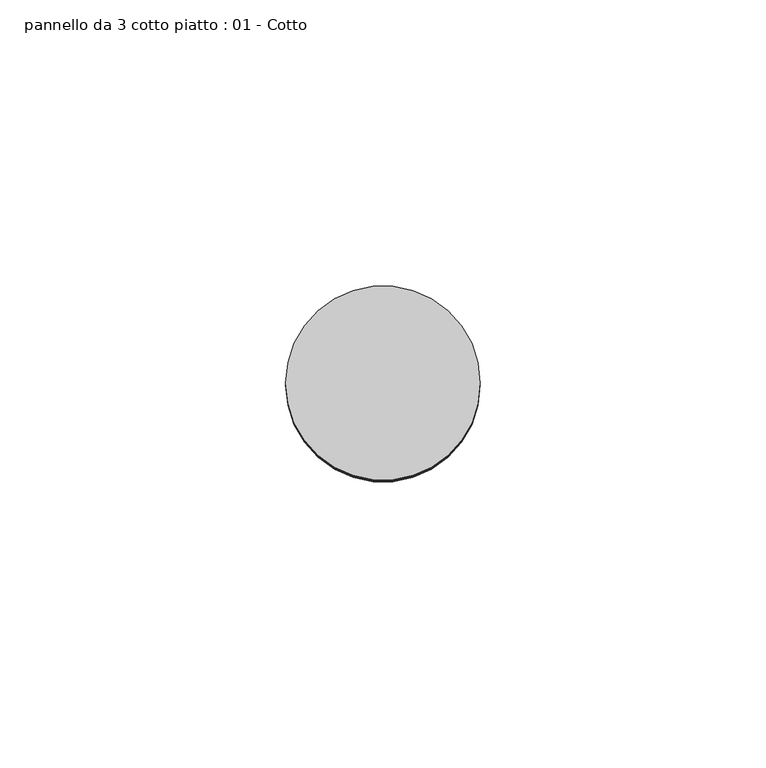
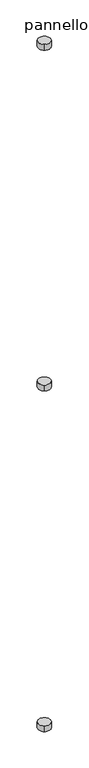
"""IFC4 building model written with IfcOpenShell, lengths in millimetres: plate geometry, pannello da 3 cotto piatto : 01 - Cotto."""

from ifc_helpers import new_model, si_unit, point, frame, origin, origin_2d, place, context, project, spatial, circle_curve, trimmed, segment, composite_curve, outline, extrude, source, transform, mapped, element, save


def pannello_da_3_cotto_piatto_01_cotto_07b3b893(model_context):
    return source(origin(), model_context, "Body", "SweptSolid", [
        extrude(outline(composite_curve([segment(trimmed(circle_curve(origin_2d(), 17.0), [point((-8.5, -14.7224319))], [point((8.5, 14.7224319))], False, "CARTESIAN"), True, "CONTINUOUS"), segment(trimmed(circle_curve(origin_2d(), 17.0), [point((8.5, 14.7224319))], [point((-8.5, -14.7224319))], False, "CARTESIAN"), True, "CONTINUOUS")], self_intersect=False)), frame((0.0, 0.0, 2983.0), z_axis=(0.0, 0.0, 1.0), x_axis=(1.0, 0.0, 0.0)), (0.0, 0.0, 1.0), 17.0),
        extrude(outline(composite_curve([segment(trimmed(circle_curve(origin_2d(), 17.0), [point((-8.5, -14.7224319))], [point((8.5, 14.7224319))], False, "CARTESIAN"), True, "CONTINUOUS"), segment(trimmed(circle_curve(origin_2d(), 17.0), [point((8.5, 14.7224319))], [point((-8.5, -14.7224319))], False, "CARTESIAN"), True, "CONTINUOUS")], self_intersect=False)), frame((0.0, 0.0, 1983.0), z_axis=(0.0, 0.0, 1.0), x_axis=(1.0, 0.0, 0.0)), (0.0, 0.0, 1.0), 17.0),
        extrude(outline(composite_curve([segment(trimmed(circle_curve(origin_2d(), 17.0), [point((-8.5, -14.7224319))], [point((8.5, 14.7224319))], False, "CARTESIAN"), True, "CONTINUOUS"), segment(trimmed(circle_curve(origin_2d(), 17.0), [point((8.5, 14.7224319))], [point((-8.5, -14.7224319))], False, "CARTESIAN"), True, "CONTINUOUS")], self_intersect=False)), frame((0.0, 0.0, 983.0), z_axis=(0.0, 0.0, 1.0), x_axis=(1.0, 0.0, 0.0)), (0.0, 0.0, 1.0), 17.0),
    ])


if __name__ == "__main__":
    model = new_model("IFC4")
    model_context = context("Model", 3, world=origin())
    ifc_project = project(units=[si_unit("LENGTHUNIT", "METRE", prefix="MILLI")], contexts=[model_context])
    site = spatial("IfcSite", under=ifc_project)
    building = spatial("IfcBuilding", under=site)
    placement = place(None, origin())
    pannello_da_3_cotto_piatto_01_cotto_shape = pannello_da_3_cotto_piatto_01_cotto_07b3b893(model_context)
    element("IfcPlate", 1, ObjectType="pannello da 3 cotto piatto : 01 - Cotto", at=placement, inside=building, context=model_context, shape_type="MappedRepresentation", body=[
        mapped(pannello_da_3_cotto_piatto_01_cotto_shape, transform((0.0, 0.0, 0.0), x_axis=(1.0, 0.0, 0.0), y_axis=(0.0, 1.0, 0.0), z_axis=(0.0, 0.0, 1.0))),
    ])
    save(model, "model.ifc")
